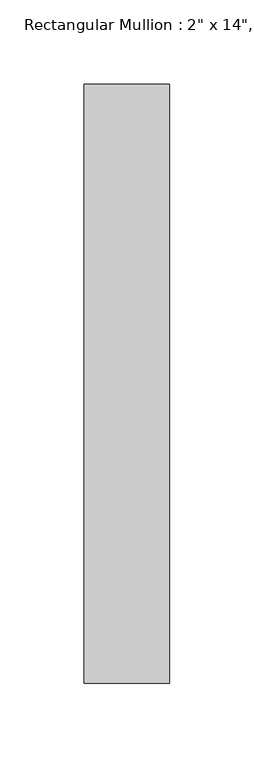
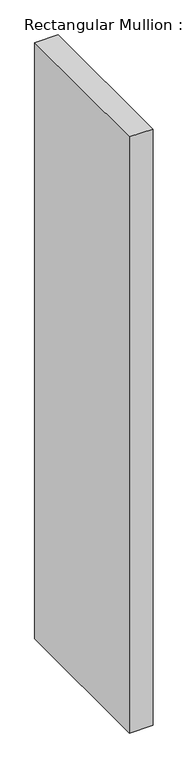
"""IFC4 building model written with IfcOpenShell, lengths in millimetres: member geometry."""

from ifc_helpers import new_model, si_unit, frame, origin, place, context, project, spatial, polyline, outline, extrude, source, transform, mapped, element, save


def member_d17f3919(model_context):
    return source(origin(), model_context, "Body", "SweptSolid", [
        extrude(outline(polyline([(0.0, 152.4), (0.0, -203.2), (-50.8, -203.2), (-50.8, 152.4), (0.0, 152.4)])), frame((0.0, 0.0, -1362.9386643), z_axis=(0.0, 0.0, 1.0), x_axis=(1.0, 0.0, 0.0)), (0.0, 0.0, 1.0), 1362.9386643),
    ])


if __name__ == "__main__":
    model = new_model("IFC4")
    model_context = context("Model", 3, world=origin())
    ifc_project = project(units=[si_unit("LENGTHUNIT", "METRE", prefix="MILLI")], contexts=[model_context])
    site = spatial("IfcSite", under=ifc_project)
    building = spatial("IfcBuilding", under=site)
    placement = place(None, origin())
    member_shape = member_d17f3919(model_context)
    element("IfcMember", 1, ObjectType="Rectangular Mullion : 2\" x 14\", Offset 1\"", at=placement, inside=building, context=model_context, shape_type="MappedRepresentation", body=[
        mapped(member_shape, transform((0.0, 0.0, 0.0), x_axis=(1.0, 0.0, 0.0), y_axis=(0.0, 1.0, 0.0), z_axis=(0.0, 0.0, 1.0))),
    ])
    save(model, "model.ifc")
